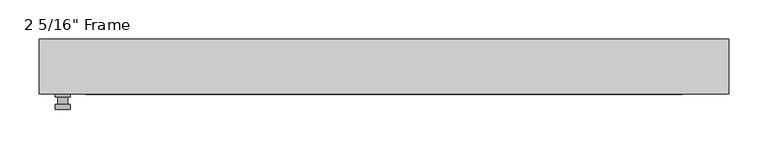
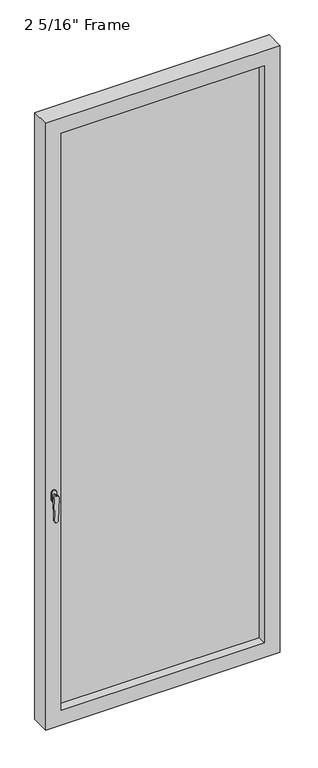
"""IFC4 building model written with IfcOpenShell, lengths in millimetres: plate geometry."""

from ifc_helpers import new_model, si_unit, frame, origin, place, context, project, spatial, polyline, circle_curve, outline, extrude, faceted_brep, source, transform, mapped, element, save
from ifc_brep_helpers import plane_surface, cylinder_surface, advanced_brep


def plate_b0d52a34(model_context):
    return source(origin(), model_context, "Body", "SolidModel", [
        advanced_brep(
        [(-398.4625, -34.925, 927.1), (-398.4625, -34.925, 901.7), (-417.5125, -34.925, 901.7), (-417.5125, -34.925, 927.1), (-401.6375, -47.625, 914.4), (-414.3375, -47.625, 914.4), (-414.3375, -38.1, 914.4), (-401.6375, -38.1, 914.4), (-398.4625, -47.625, 914.4), (-401.6415356, -47.625, 825.2736467), (-414.3334644, -47.625, 825.2736467), (-417.5125, -47.625, 914.4), (-398.4625, -53.975, 914.4), (-417.5125, -53.975, 914.4), (-414.3334644, -53.975, 825.2736467), (-401.6415356, -53.975, 825.2736467), (-398.4625, -38.1, 927.1), (-417.5125, -38.1, 927.1), (-417.5125, -38.1, 901.7), (-398.4625, -38.1, 901.7)],
        [
            (0, 1),
            (1, 2, circle_curve(frame((-407.9875, -34.925, 901.7), z_axis=(0.0, 1.0, 0.0), x_axis=(-1.0, 0.0, 0.0)), 9.525)),
            (2, 3),
            (3, 0, circle_curve(frame((-407.9875, -34.925, 927.1), z_axis=(0.0, 1.0, 0.0), x_axis=(-1.0, 0.0, 0.0)), 9.525)),
            (4, 5, circle_curve(frame((-407.9875, -47.625, 914.4), z_axis=(0.0, 1.0, 0.0), x_axis=(-1.0, 0.0, 0.0)), 6.35)),
            (5, 6),
            (6, 7, circle_curve(frame((-407.9875, -38.1, 914.4), z_axis=(0.0, -1.0, 0.0), x_axis=(-1.0, 0.0, 0.0)), 6.35)),
            (7, 4),
            (5, 4, circle_curve(frame((-407.9875, -47.625, 914.4), z_axis=(0.0, 1.0, 0.0), x_axis=(-1.0, 0.0, 0.0)), 6.35)),
            (7, 6, circle_curve(frame((-407.9875, -38.1, 914.4), z_axis=(0.0, -1.0, 0.0), x_axis=(-1.0, 0.0, 0.0)), 6.35)),
            (8, 9),
            (9, 10, circle_curve(frame((-407.9875, -47.625, 825.5), z_axis=(0.0, 1.0, 0.0), x_axis=(-1.0, 0.0, 0.0)), 6.35)),
            (10, 11),
            (11, 8, circle_curve(frame((-407.9875, -47.625, 914.4), z_axis=(0.0, 1.0, 0.0), x_axis=(-1.0, 0.0, 0.0)), 9.525)),
            (12, 13, circle_curve(frame((-407.9875, -53.975, 914.4), z_axis=(0.0, -1.0, 0.0), x_axis=(-1.0, 0.0, 0.0)), 9.525)),
            (13, 14),
            (14, 15, circle_curve(frame((-407.9875, -53.975, 825.5), z_axis=(0.0, -1.0, 0.0), x_axis=(-1.0, 0.0, 0.0)), 6.35)),
            (15, 12),
            (8, 12),
            (15, 9),
            (14, 10),
            (13, 11),
            (16, 17, circle_curve(frame((-407.9875, -38.1, 927.1), z_axis=(0.0, -1.0, 0.0), x_axis=(-1.0, 0.0, 0.0)), 9.525)),
            (17, 18),
            (18, 19, circle_curve(frame((-407.9875, -38.1, 901.7), z_axis=(0.0, -1.0, 0.0), x_axis=(-1.0, 0.0, 0.0)), 9.525)),
            (19, 16),
            (0, 16),
            (19, 1),
            (18, 2),
            (17, 3),
        ],
        [
            plane_surface(frame((-414.3375, -34.925, 914.4), z_axis=(0.0, 1.0, 0.0), x_axis=(0.0, 0.0, 1.0))),
            cylinder_surface(frame((-407.9875, -47.625, 914.4), z_axis=(0.0, 1.0, 0.0), x_axis=(-1.0, 0.0, 0.0)), 6.35),
            plane_surface(frame((-398.4625, -47.625, 914.4), z_axis=(0.0, 1.0000000000000002, 0.0), x_axis=(-0.03564619348186888, 0.0, -0.9993644724975235))),
            plane_surface(frame((-398.4625, -53.975, 914.4), z_axis=(0.0, -1.0000000000000002, 0.0), x_axis=(0.03564619348186888, 0.0, 0.9993644724975235))),
            plane_surface(frame((-398.4625, -47.625, 914.4), z_axis=(0.9993644724975235, 0.0, -0.03564619348186888), x_axis=(0.0, -1.0, 0.0))),
            cylinder_surface(frame((-407.9875, -53.975, 825.5), z_axis=(0.0, 1.0, 0.0), x_axis=(-1.0, 0.0, 0.0)), 6.35),
            plane_surface(frame((-414.3334644, -47.625, 825.2736467), z_axis=(-0.9993644724975228, 0.0, -0.03564619348188612), x_axis=(0.0, -1.0, 0.0))),
            cylinder_surface(frame((-407.9875, -53.975, 914.4), z_axis=(0.0, 1.0, 0.0), x_axis=(-1.0, 0.0, 0.0)), 9.525),
            plane_surface(frame((-398.4625, -38.1, 901.7), z_axis=(0.0, -1.0, 0.0), x_axis=(0.0, 0.0, 1.0))),
            plane_surface(frame((-398.4625, -34.925, 927.1), z_axis=(1.0, 0.0, 0.0), x_axis=(0.0, -1.0, 0.0))),
            cylinder_surface(frame((-407.9875, -38.1, 901.7), z_axis=(0.0, 1.0, 0.0), x_axis=(-1.0, 0.0, 0.0)), 9.525),
            plane_surface(frame((-417.5125, -34.925, 901.7), z_axis=(-1.0, 0.0, 0.0), x_axis=(0.0, -1.0, 0.0))),
            cylinder_surface(frame((-407.9875, -38.1, 927.1), z_axis=(0.0, 1.0, 0.0), x_axis=(-1.0, 0.0, 0.0)), 9.525),
        ],
        [
            (0, [[1, 2, 3, 4]]),
            (1, [[5, 6, 7, 8]]),
            (1, [[9, -8, 10, -6]]),
            (2, [[11, 12, 13, 14], [-5, -9]]),
            (3, [[15, 16, 17, 18]]),
            (4, [[-11, 19, -18, 20]]),
            (5, [[-12, -20, -17, 21]]),
            (6, [[-13, -21, -16, 22]]),
            (7, [[-14, -22, -15, -19]]),
            (8, [[23, 24, 25, 26], [-7, -10]]),
            (9, [[-1, 27, -26, 28]]),
            (10, [[-2, -28, -25, 29]]),
            (11, [[-3, -29, -24, 30]]),
            (12, [[-4, -30, -23, -27]]),
        ],
    ),
        faceted_brep([(-437.35625, -34.925, 0.0), (-437.35625, 34.925, 0.0), (437.35625, 34.925, 0.0), (437.35625, -34.925, 0.0), (-378.61875, 34.925, 2332.0375), (-378.61875, 22.225, 2332.0375), (-378.61875, 22.225, 58.7375), (-378.61875, 34.925, 58.7375), (391.31875, 22.225, 2344.7375), (-391.31875, 22.225, 2344.7375), (-391.31875, 22.225, 46.0375), (391.31875, 22.225, 46.0375), (378.61875, 22.225, 2332.0375), (378.61875, 22.225, 58.7375), (-391.31875, -1.5875, 2344.7375), (-391.31875, -1.5875, 46.0375), (391.31875, -1.5875, 2344.7375), (391.31875, -1.5875, 46.0375), (-378.61875, -1.5875, 2332.0375), (-378.61875, -1.5875, 58.7375), (378.61875, -1.5875, 58.7375), (378.61875, -1.5875, 2332.0375), (-378.61875, -34.925, 2332.0375), (-378.61875, -34.925, 58.7375), (437.35625, -34.925, 2390.775), (-437.35625, -34.925, 2390.775), (378.61875, -34.925, 2332.0375), (378.61875, -34.925, 58.7375), (-437.35625, 34.925, 2390.775), (437.35625, 34.925, 2390.775), (378.61875, 34.925, 58.7375), (378.61875, 34.925, 2332.0375)], [[[0, 1, 2, 3]], [[4, 5, 6, 7]], [[8, 9, 10, 11], [5, 12, 13, 6]], [[10, 9, 14, 15]], [[14, 16, 17, 15], [18, 19, 20, 21]], [[18, 22, 23, 19]], [[0, 3, 24, 25], [22, 26, 27, 23]], [[1, 0, 25, 28]], [[2, 1, 28, 29], [4, 7, 30, 31]], [[5, 4, 31, 12]], [[9, 8, 16, 14]], [[18, 21, 26, 22]], [[25, 24, 29, 28]], [[12, 31, 30, 13]], [[17, 16, 8, 11]], [[26, 21, 20, 27]], [[24, 3, 2, 29]], [[23, 27, 20, 19]], [[11, 10, 15, 17]], [[6, 13, 30, 7]]]),
        extrude(outline(polyline([(391.31875, -1.5875), (-391.31875, -1.5875), (-391.31875, 22.225), (391.31875, 22.225), (391.31875, -1.5875)])), frame((0.0, 0.0, 46.0375), z_axis=(0.0, 0.0, 1.0), x_axis=(1.0, 0.0, 0.0)), (0.0, 0.0, 1.0), 2298.7),
    ])


if __name__ == "__main__":
    model = new_model("IFC4")
    model_context = context("Model", 3, world=origin())
    ifc_project = project(units=[si_unit("LENGTHUNIT", "METRE", prefix="MILLI")], contexts=[model_context])
    site = spatial("IfcSite", under=ifc_project)
    building = spatial("IfcBuilding", under=site)
    placement = place(None, origin())
    plate_shape = plate_b0d52a34(model_context)
    element("IfcPlate", 1, ObjectType="2 5/16\" Frame", at=placement, inside=building, context=model_context, shape_type="MappedRepresentation", body=[
        mapped(plate_shape, transform((0.0, 0.0, 0.0), x_axis=(1.0, 0.0, 0.0), y_axis=(0.0, 1.0, 0.0), z_axis=(0.0, 0.0, 1.0))),
    ])
    save(model, "model.ifc")
